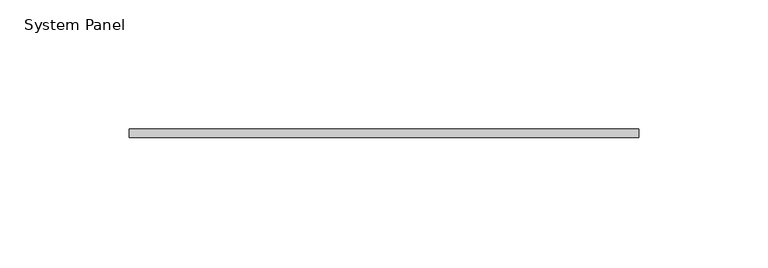
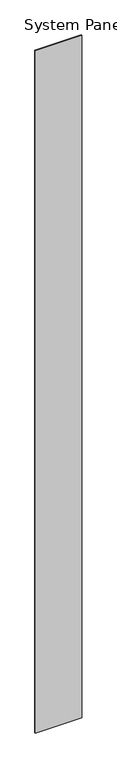
"""IFC4 building model written with IfcOpenShell, lengths in millimetres: plate geometry, System Panel."""

import ifcopenshell
import ifcopenshell.guid

model = None  # the IFC model being written
_history = None  # IfcOwnerHistory: only IFC2X3 demands one
_inside = {}  # id of a spatial element -> (the spatial element, [elements in it])
_under = {}  # id of a project, library or spatial element -> (it, [spatial elements below it])
_declared = {}  # id of a project -> (the project, [libraries it declares])
_typed = {}  # id of a type object -> (the type object, [elements of that type])
_made_of = {}  # id of a material, layer set ... -> (it, [elements and type objects made of it])


def new_model(schema):
    """Start an empty IFC model of exactly this schema.

    Asked for "IFC4X3", IfcOpenShell would pick the latest addendum, in which some entities
    have other attributes; the version numbers below select the first issue.
    IFC2X3 requires an IfcOwnerHistory on every rooted entity: one is made here for all.
    """
    global model, _history
    if schema == "IFC4X3":
        model = ifcopenshell.file(schema_version=(4, 3, 0, 0))
    else:
        model = ifcopenshell.file(schema=schema)
    _inside.clear()
    _under.clear()
    _declared.clear()
    _typed.clear()
    _made_of.clear()
    _history = None
    if model.schema == "IFC2X3":
        org = make("IfcOrganization", Name="unknown")
        user = make(
            "IfcPersonAndOrganization",
            ThePerson=make("IfcPerson", FamilyName="unknown"),
            TheOrganization=org,
        )
        app = make(
            "IfcApplication",
            ApplicationDeveloper=org,
            Version="unknown",
            ApplicationFullName="unknown",
            ApplicationIdentifier="unknown",
        )
        _history = make(
            "IfcOwnerHistory",
            OwningUser=user,
            OwningApplication=app,
            ChangeAction="ADDED",
            CreationDate=0,
        )
    return model


def make(cls, **values):
    """One entity of the class cls with the attributes given. An attribute that is None is left unset."""
    return model.create_entity(
        cls, **{name: value for name, value in values.items() if value is not None}
    )


def rooted(cls, **values):
    """An entity with a GlobalId (a new one), such as an element, a storey or a relation."""
    return make(cls, GlobalId=ifcopenshell.guid.new(), OwnerHistory=_history, **values)


def si_unit(unit_type, name, prefix=None):
    """IfcSIUnit, for example si_unit("LENGTHUNIT", "METRE", prefix="MILLI")."""
    return make("IfcSIUnit", UnitType=unit_type, Prefix=prefix, Name=name)


def assignment(units):
    """IfcUnitAssignment: the units of a project."""
    return None if units is None else make("IfcUnitAssignment", Units=units)


def point(xyz):
    """IfcCartesianPoint."""
    return None if xyz is None else make("IfcCartesianPoint", Coordinates=xyz)


def direction(xyz):
    """IfcDirection."""
    return None if xyz is None else make("IfcDirection", DirectionRatios=xyz)


def frame(location, z_axis=None, x_axis=None):
    """IfcAxis2Placement3D, a coordinate frame: its origin and axes. An axis left out is left unset."""
    return make(
        "IfcAxis2Placement3D",
        Location=point(location),
        Axis=direction(z_axis),
        RefDirection=direction(x_axis),
    )


def origin():
    """The frame at (0, 0, 0) with its axes left unset."""
    return frame((0.0, 0.0, 0.0))


def origin_with_axes():
    """The frame at (0, 0, 0) with the z axis (0, 0, 1) and the x axis (1, 0, 0) written out."""
    return frame((0.0, 0.0, 0.0), z_axis=(0.0, 0.0, 1.0), x_axis=(1.0, 0.0, 0.0))


def place(relative_to, where):
    """IfcLocalPlacement: puts the frame where relative to a parent placement (None: the world)."""
    return make(
        "IfcLocalPlacement", PlacementRelTo=relative_to, RelativePlacement=where
    )


def context(
    kind, dimensions, precision=None, world=None, true_north=None, identifier=None
):
    """IfcGeometricRepresentationContext, for example the 3D "Model" context."""
    return make(
        "IfcGeometricRepresentationContext",
        ContextIdentifier=identifier,
        ContextType=kind,
        CoordinateSpaceDimension=dimensions,
        Precision=precision,
        WorldCoordinateSystem=world,
        TrueNorth=true_north,
    )


def project(units=None, contexts=None):
    """IfcProject with its units and contexts."""
    return rooted(
        "IfcProject",
        Name="project",
        RepresentationContexts=contexts,
        UnitsInContext=assignment(units),
    )


def spatial(cls, under=None, at=None, **own):
    """A site, building, storey or space (cls), placed at a placement, below another one or the project."""
    s = rooted(cls, ObjectPlacement=at, **own)
    if under is not None:
        _under.setdefault(under.id(), (under, []))[1].append(s)
    return s


def polyline(points):
    """IfcPolyline through the points."""
    return make("IfcPolyline", Points=[point(p) for p in points])


def outline(outer, holes=None, kind="AREA"):
    """IfcArbitraryClosedProfileDef: a profile drawn as a closed curve; with holes, ...WithVoids."""
    if holes is None:
        return make("IfcArbitraryClosedProfileDef", ProfileType=kind, OuterCurve=outer)
    return make(
        "IfcArbitraryProfileDefWithVoids",
        ProfileType=kind,
        OuterCurve=outer,
        InnerCurves=holes,
    )


def extrude(swept, where, along, depth):
    """IfcExtrudedAreaSolid: the profile swept, set in the frame where, extruded along a direction by depth."""
    return make(
        "IfcExtrudedAreaSolid",
        SweptArea=swept,
        Position=where,
        ExtrudedDirection=direction(along),
        Depth=depth,
    )


def shape(context_of_items, identifier, shape_type, items):
    """IfcShapeRepresentation: the items that make up one representation, for example the "Body"."""
    return make(
        "IfcShapeRepresentation",
        ContextOfItems=context_of_items,
        RepresentationIdentifier=identifier,
        RepresentationType=shape_type,
        Items=items,
    )


def source(mapping_origin, context_of_items, identifier, shape_type, items):
    """IfcRepresentationMap: a shape defined once, which mapped items show again and again."""
    return make(
        "IfcRepresentationMap",
        MappingOrigin=mapping_origin,
        MappedRepresentation=shape(context_of_items, identifier, shape_type, items),
    )


def transform(
    local_origin,
    x_axis=None,
    y_axis=None,
    z_axis=None,
    scale=None,
    scale2=None,
    scale3=None,
    uniform=True,
):
    """IfcCartesianTransformationOperator3D, or its non-uniform kind. x_axis, y_axis, z_axis: its Axis1, 2, 3."""
    if uniform:
        return make(
            "IfcCartesianTransformationOperator3D",
            Axis1=direction(x_axis),
            Axis2=direction(y_axis),
            LocalOrigin=point(local_origin),
            Scale=scale,
            Axis3=direction(z_axis),
        )
    return make(
        "IfcCartesianTransformationOperator3DnonUniform",
        Axis1=direction(x_axis),
        Axis2=direction(y_axis),
        LocalOrigin=point(local_origin),
        Scale=scale,
        Axis3=direction(z_axis),
        Scale2=scale2,
        Scale3=scale3,
    )


def mapped(mapping_source, mapping_target):
    """IfcMappedItem: shows the shape of a source again, moved by a transform."""
    return make(
        "IfcMappedItem", MappingSource=mapping_source, MappingTarget=mapping_target
    )


def made_of(thing, what):
    """Note that an element or type object is made of a material, layer set ...; save() writes the relation."""
    if what is not None:
        _made_of.setdefault(what.id(), (what, []))[1].append(thing)
    return thing


def element(
    cls,
    number,
    at=None,
    inside=None,
    cuts=None,
    type_object=None,
    material=None,
    context=None,
    identifier="Body",
    shape_type=None,
    held_by="IfcProductDefinitionShape",
    body=None,
    shapes=None,
    **own,
):
    """One element of the class cls, such as IfcWall. Its Tag is "e" and its number.

    at: its placement. inside: the storey or other place that contains it. cuts: it is an
    opening in that element (IfcRelVoidsElement). A single representation is given by context,
    identifier, shape_type and body (its items); several are given by shapes. held_by: the class
    of the entity that holds the representations. save() writes the other relations.
    """
    e = rooted(cls, Tag="e%d" % number, ObjectPlacement=at, **own)
    if body is not None:
        shapes = [shape(context, identifier, shape_type, body)]
    if shapes is not None:
        e.Representation = make(held_by, Representations=shapes)
    if inside is not None:
        _inside.setdefault(inside.id(), (inside, []))[1].append(e)
    if cuts is not None:
        rooted(
            "IfcRelVoidsElement", RelatingBuildingElement=cuts, RelatedOpeningElement=e
        )
    if type_object is not None:
        _typed.setdefault(type_object.id(), (type_object, []))[1].append(e)
    return made_of(e, material)


def aggregate(whole, parts):
    """IfcRelAggregates: a whole, such as a stair, and the parts it consists of."""
    return rooted("IfcRelAggregates", RelatingObject=whole, RelatedObjects=parts)


def save(model, path):
    """Write the relations noted so far, then the file.

    IfcRelAggregates (storeys below a building ...), IfcRelContainedInSpatialStructure (elements
    in a storey), IfcRelDefinesByType, IfcRelAssociatesMaterial and IfcRelDeclares: one each for
    every whole, place, type object, material and project.
    """
    for whole, parts in _under.values():
        aggregate(whole, parts)
    for where, things in _inside.values():
        rooted(
            "IfcRelContainedInSpatialStructure",
            RelatedElements=things,
            RelatingStructure=where,
        )
    for kind, things in _typed.values():
        rooted("IfcRelDefinesByType", RelatedObjects=things, RelatingType=kind)
    for what, things in _made_of.values():
        rooted("IfcRelAssociatesMaterial", RelatedObjects=things, RelatingMaterial=what)
    for by, libraries in _declared.values():
        rooted("IfcRelDeclares", RelatingContext=by, RelatedDefinitions=libraries)
    model.write(path)


def system_panel_77e9a7ef(model_context):
    return source(origin(), model_context, "Body", "SweptSolid", [
        extrude(outline(polyline([(98.425, 0.0), (-98.425, 0.0), (-98.425, 3.175), (98.425, 3.175), (98.425, 0.0)])), origin_with_axes(), (0.0, 0.0, 1.0), 3048.0),
    ])


if __name__ == "__main__":
    model = new_model("IFC4")
    model_context = context("Model", 3, world=origin())
    ifc_project = project(units=[si_unit("LENGTHUNIT", "METRE", prefix="MILLI")], contexts=[model_context])
    site = spatial("IfcSite", under=ifc_project)
    building = spatial("IfcBuilding", under=site)
    placement = place(None, origin())
    system_panel_shape = system_panel_77e9a7ef(model_context)
    element("IfcPlate", 1, ObjectType="System Panel", at=placement, inside=building, context=model_context, shape_type="MappedRepresentation", body=[
        mapped(system_panel_shape, transform((0.0, 0.0, 0.0), x_axis=(1.0, 0.0, 0.0), y_axis=(0.0, 1.0, 0.0), z_axis=(0.0, 0.0, 1.0))),
    ])
    save(model, "model.ifc")
